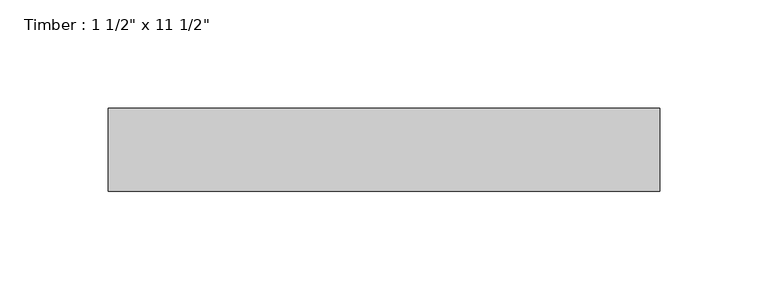
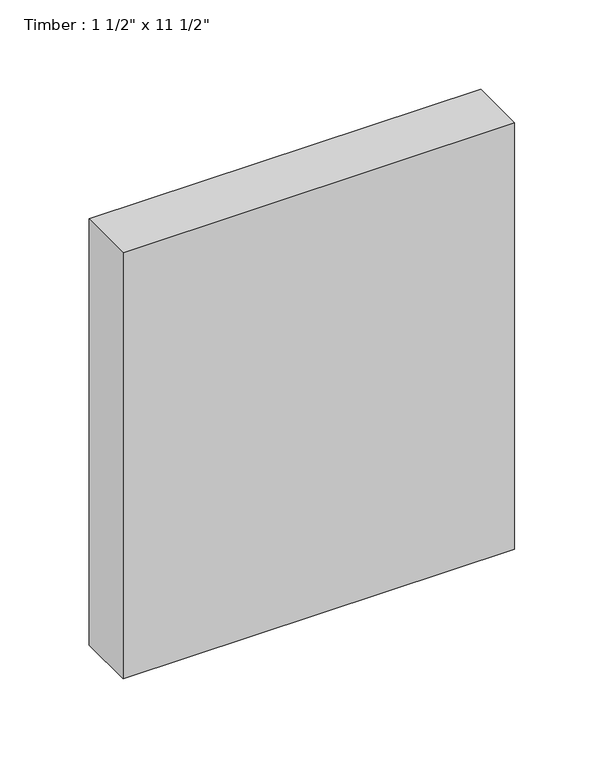
"""IFC4 building model written with IfcOpenShell, lengths in millimetres: beam geometry."""

from ifc_helpers import new_model, si_unit, frame, origin, place, context, project, spatial, polyline, outline, extrude, source, transform, mapped, element, save


def beam_4fcd84f5(model_context):
    return source(origin(), model_context, "Body", "SweptSolid", [
        extrude(outline(polyline([(127.0, 19.05), (127.0, -19.05), (-127.0, -19.05), (-127.0, 19.05), (127.0, 19.05)])), frame((0.0, 0.0, -146.05), z_axis=(0.0, 0.0, 1.0), x_axis=(1.0, 0.0, 0.0)), (0.0, 0.0, 1.0), 292.1),
    ])


if __name__ == "__main__":
    model = new_model("IFC4")
    model_context = context("Model", 3, world=origin())
    ifc_project = project(units=[si_unit("LENGTHUNIT", "METRE", prefix="MILLI")], contexts=[model_context])
    site = spatial("IfcSite", under=ifc_project)
    building = spatial("IfcBuilding", under=site)
    placement = place(None, origin())
    beam_shape = beam_4fcd84f5(model_context)
    element("IfcBeam", 1, ObjectType="Timber : 1 1/2\" x 11 1/2\"", at=placement, inside=building, context=model_context, shape_type="MappedRepresentation", body=[
        mapped(beam_shape, transform((0.0, 0.0, 0.0), x_axis=(1.0, 0.0, 0.0), y_axis=(0.0, 1.0, 0.0), z_axis=(0.0, 0.0, 1.0))),
    ])
    save(model, "model.ifc")
